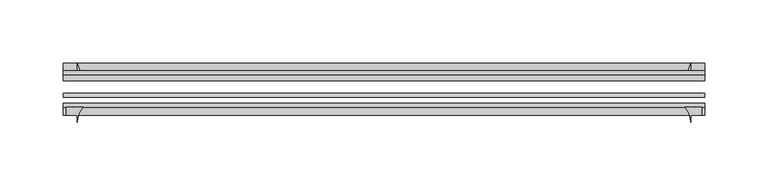
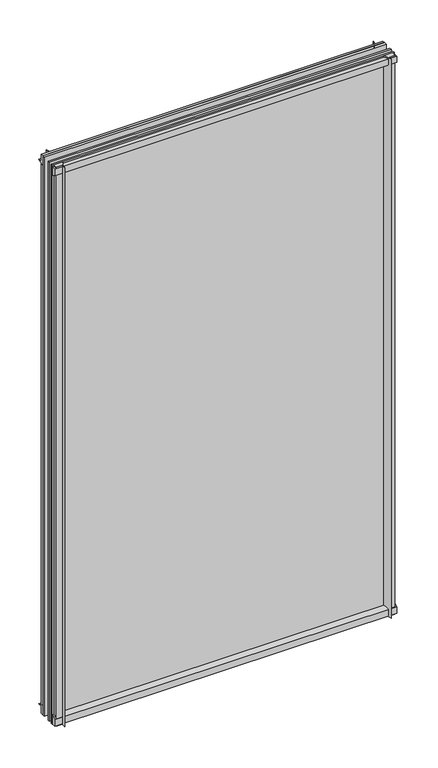
"""IFC4 building model written with IfcOpenShell, lengths in millimetres: plate geometry."""

from ifc_helpers import new_model, si_unit, point, frame, frame_2d, origin, place, context, project, spatial, polyline, circle_curve, trimmed, segment, composite_curve, outline, extrude, source, transform, mapped, element, save


def plate_162d28df(model_context):
    return source(origin(), model_context, "Body", "SweptSolid", [
        extrude(outline(composite_curve([segment(polyline([(-42.891075, -11.1125), (-42.891075, 3.8539528)]), True, "CONTINUOUS"), segment(trimmed(circle_curve(frame_2d((-26.637892, 29.5913262)), 30.4397495), [point((-42.891075, 3.8539528))], [point((-33.7745413, 0.0))], True, "CARTESIAN"), True, "CONTINUOUS"), segment(polyline([(-33.7745413, 0.0), (-39.690675, 0.0), (-39.690675, -11.1125), (-42.891075, -11.1125)]), True, "CONTINUOUS")], self_intersect=False)), frame((-253.3656495, 0.0, 0.0), z_axis=(1.0, 0.0, 0.0), x_axis=(0.0, 1.0, 0.0)), (0.0, 0.0, 1.0), 506.7312991),
        extrude(outline(composite_curve([segment(trimmed(circle_curve(frame_2d((-80.4922797, 17.8701603)), 18.6769817), [point((-74.641075, 0.1333891))], [point((-68.291075, 3.72943))], True, "CARTESIAN"), True, "CONTINUOUS"), segment(polyline([(-68.291075, 3.72943), (-68.291075, -10.3251), (-74.641075, -10.3251), (-74.641075, 0.1333891)]), True, "CONTINUOUS")], self_intersect=False)), frame((-253.3656495, 0.0, 0.0), z_axis=(1.0, 0.0, 0.0), x_axis=(0.0, 1.0, 0.0)), (0.0, 0.0, 1.0), 506.7312991),
        extrude(outline(composite_curve([segment(polyline([(-42.891075, 850.2083472), (-42.891075, 865.1875), (-39.690675, 865.1875), (-39.690675, 854.075), (-33.721675, 854.075)]), True, "CONTINUOUS"), segment(trimmed(circle_curve(frame_2d((-26.637892, 824.4709738)), 30.4397495), [point((-33.721675, 854.075))], [point((-42.891075, 850.2083472))], True, "CARTESIAN"), True, "CONTINUOUS")], self_intersect=False)), frame((-253.3656495, 0.0, 0.0), z_axis=(1.0, 0.0, 0.0), x_axis=(0.0, 1.0, 0.0)), (0.0, 0.0, 1.0), 506.7312991),
        extrude(outline(composite_curve([segment(polyline([(-68.291075, 862.8126), (-68.291075, 849.53912)]), True, "CONTINUOUS"), segment(trimmed(circle_curve(frame_2d((-80.4922797, 835.3983897)), 18.6769817), [point((-68.291075, 849.53912))], [point((-74.641075, 853.1351609))], True, "CARTESIAN"), True, "CONTINUOUS"), segment(polyline([(-74.641075, 853.1351609), (-74.641075, 862.8126), (-68.291075, 862.8126)]), True, "CONTINUOUS")], self_intersect=False)), frame((-253.3656495, 0.0, 0.0), z_axis=(1.0, 0.0, 0.0), x_axis=(0.0, 1.0, 0.0)), (0.0, 0.0, 1.0), 506.7312991),
        extrude(outline(composite_curve([segment(polyline([(237.7172695, -68.291075), (250.9907495, -68.291075), (250.9907495, -74.641075), (242.2531495, -74.641075), (242.2531495, -80.3744844)]), True, "CONTINUOUS"), segment(trimmed(circle_curve(frame_2d((223.5765393, -80.4922797)), 18.6769817), [point((242.2531495, -80.3744844))], [point((237.7172695, -68.291075))], True, "CARTESIAN"), True, "CONTINUOUS")], self_intersect=False)), frame((0.0, 0.0, -11.1125), z_axis=(0.0, 0.0, 1.0), x_axis=(1.0, 0.0, 0.0)), (0.0, 0.0, 1.0), 876.3),
        extrude(outline(composite_curve([segment(trimmed(circle_curve(frame_2d((212.6491233, -26.637892)), 30.4397495), [point((238.3864968, -42.891075))], [point((242.2531495, -33.721675))], True, "CARTESIAN"), True, "CONTINUOUS"), segment(polyline([(242.2531495, -33.721675), (242.2531495, -39.690675), (253.3656495, -39.690675), (253.3656495, -42.891075), (238.3864968, -42.891075)]), True, "CONTINUOUS")], self_intersect=False)), frame((0.0, 0.0, -11.1125), z_axis=(0.0, 0.0, 1.0), x_axis=(1.0, 0.0, 0.0)), (0.0, 0.0, 1.0), 876.3),
        extrude(outline(composite_curve([segment(trimmed(circle_curve(frame_2d((-223.5765393, -80.4922797)), 18.6769817), [point((-237.7172695, -68.291075))], [point((-242.2531495, -80.3744844))], True, "CARTESIAN"), True, "CONTINUOUS"), segment(polyline([(-242.2531495, -80.3744844), (-242.2531495, -74.641075), (-250.9907495, -74.641075), (-250.9907495, -68.291075), (-237.7172695, -68.291075)]), True, "CONTINUOUS")], self_intersect=False)), frame((0.0, 0.0, -11.1125), z_axis=(0.0, 0.0, 1.0), x_axis=(1.0, 0.0, 0.0)), (0.0, 0.0, 1.0), 876.3),
        extrude(outline(composite_curve([segment(polyline([(-238.3864968, -42.891075), (-253.3656495, -42.891075), (-253.3656495, -39.690675), (-242.2531495, -39.690675), (-242.2531495, -33.721675)]), True, "CONTINUOUS"), segment(trimmed(circle_curve(frame_2d((-212.6491233, -26.637892)), 30.4397495), [point((-242.2531495, -33.721675))], [point((-238.3864968, -42.891075))], True, "CARTESIAN"), True, "CONTINUOUS")], self_intersect=False)), frame((0.0, 0.0, -11.1125), z_axis=(0.0, 0.0, 1.0), x_axis=(1.0, 0.0, 0.0)), (0.0, 0.0, 1.0), 876.3),
        extrude(outline(polyline([(-253.3656495, -42.891075), (253.3656495, -42.891075), (253.3656495, -47.653575), (-253.3656495, -47.653575), (-253.3656495, -42.891075)])), frame((0.0, 0.0, -11.1125), z_axis=(0.0, 0.0, 1.0), x_axis=(1.0, 0.0, 0.0)), (0.0, 0.0, 1.0), 876.3),
        extrude(outline(polyline([(253.3656495, -57.369075), (253.3656495, -60.544075), (-253.3656495, -60.544075), (-253.3656495, -57.369075), (253.3656495, -57.369075)])), frame((0.0, 0.0, -11.1125), z_axis=(0.0, 0.0, 1.0), x_axis=(1.0, 0.0, 0.0)), (0.0, 0.0, 1.0), 876.3),
        extrude(outline(polyline([(-253.3656495, -65.116075), (253.3656495, -65.116075), (253.3656495, -68.291075), (-253.3656495, -68.291075), (-253.3656495, -65.116075)])), frame((0.0, 0.0, -11.1125), z_axis=(0.0, 0.0, 1.0), x_axis=(1.0, 0.0, 0.0)), (0.0, 0.0, 1.0), 876.3),
    ])


if __name__ == "__main__":
    model = new_model("IFC4")
    model_context = context("Model", 3, world=origin())
    ifc_project = project(units=[si_unit("LENGTHUNIT", "METRE", prefix="MILLI")], contexts=[model_context])
    site = spatial("IfcSite", under=ifc_project)
    building = spatial("IfcBuilding", under=site)
    placement = place(None, origin())
    plate_shape = plate_162d28df(model_context)
    element("IfcPlate", 1, at=placement, inside=building, context=model_context, shape_type="MappedRepresentation", body=[
        mapped(plate_shape, transform((0.0, 0.0, 0.0), x_axis=(1.0, 0.0, 0.0), y_axis=(0.0, 1.0, 0.0), z_axis=(0.0, 0.0, 1.0))),
    ])
    save(model, "model.ifc")
